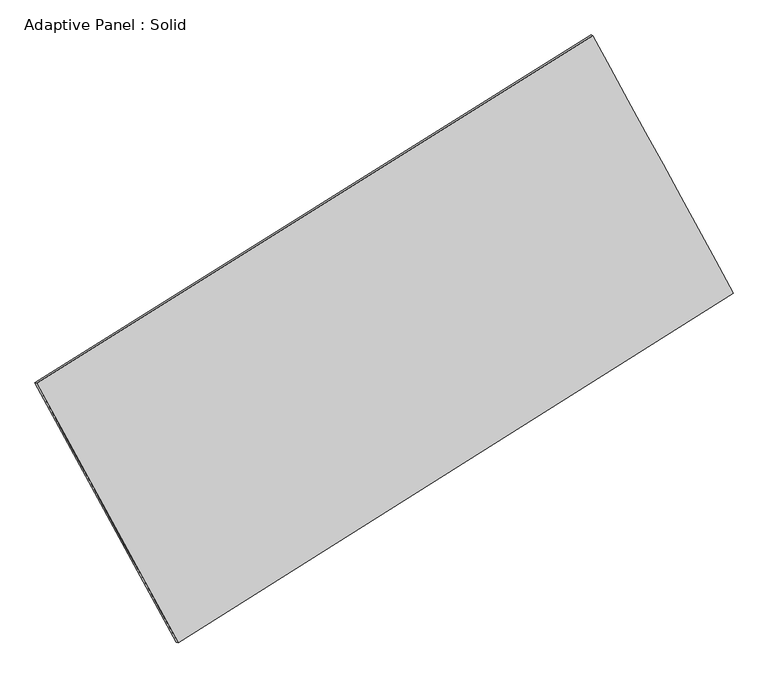
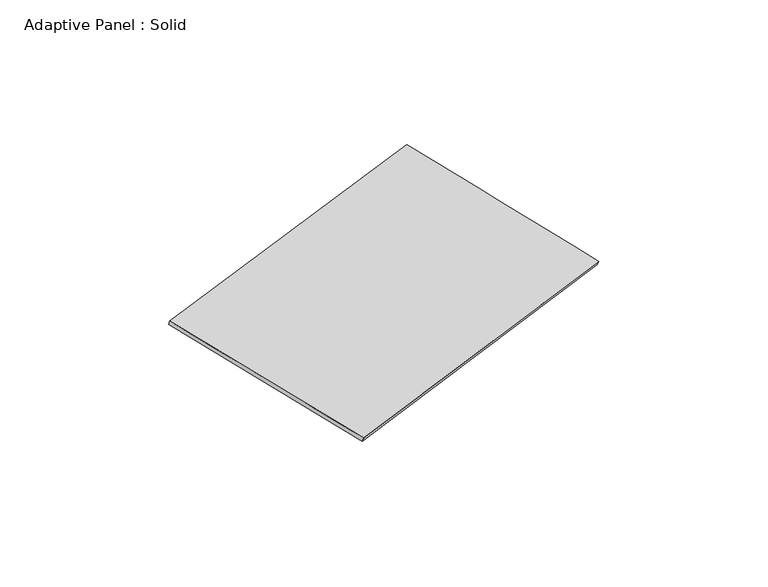
"""IFC4 building model written with IfcOpenShell, lengths in millimetres: plate geometry, Adaptive Panel : Solid."""

import ifcopenshell
import ifcopenshell.guid

model = None  # the IFC model being written
_history = None  # IfcOwnerHistory: only IFC2X3 demands one
_inside = {}  # id of a spatial element -> (the spatial element, [elements in it])
_under = {}  # id of a project, library or spatial element -> (it, [spatial elements below it])
_declared = {}  # id of a project -> (the project, [libraries it declares])
_typed = {}  # id of a type object -> (the type object, [elements of that type])
_made_of = {}  # id of a material, layer set ... -> (it, [elements and type objects made of it])


def new_model(schema):
    """Start an empty IFC model of exactly this schema.

    Asked for "IFC4X3", IfcOpenShell would pick the latest addendum, in which some entities
    have other attributes; the version numbers below select the first issue.
    IFC2X3 requires an IfcOwnerHistory on every rooted entity: one is made here for all.
    """
    global model, _history
    if schema == "IFC4X3":
        model = ifcopenshell.file(schema_version=(4, 3, 0, 0))
    else:
        model = ifcopenshell.file(schema=schema)
    _inside.clear()
    _under.clear()
    _declared.clear()
    _typed.clear()
    _made_of.clear()
    _history = None
    if model.schema == "IFC2X3":
        org = make("IfcOrganization", Name="unknown")
        user = make(
            "IfcPersonAndOrganization",
            ThePerson=make("IfcPerson", FamilyName="unknown"),
            TheOrganization=org,
        )
        app = make(
            "IfcApplication",
            ApplicationDeveloper=org,
            Version="unknown",
            ApplicationFullName="unknown",
            ApplicationIdentifier="unknown",
        )
        _history = make(
            "IfcOwnerHistory",
            OwningUser=user,
            OwningApplication=app,
            ChangeAction="ADDED",
            CreationDate=0,
        )
    return model


def make(cls, **values):
    """One entity of the class cls with the attributes given. An attribute that is None is left unset."""
    return model.create_entity(
        cls, **{name: value for name, value in values.items() if value is not None}
    )


def rooted(cls, **values):
    """An entity with a GlobalId (a new one), such as an element, a storey or a relation."""
    return make(cls, GlobalId=ifcopenshell.guid.new(), OwnerHistory=_history, **values)


def si_unit(unit_type, name, prefix=None):
    """IfcSIUnit, for example si_unit("LENGTHUNIT", "METRE", prefix="MILLI")."""
    return make("IfcSIUnit", UnitType=unit_type, Prefix=prefix, Name=name)


def assignment(units):
    """IfcUnitAssignment: the units of a project."""
    return None if units is None else make("IfcUnitAssignment", Units=units)


def point(xyz):
    """IfcCartesianPoint."""
    return None if xyz is None else make("IfcCartesianPoint", Coordinates=xyz)


def direction(xyz):
    """IfcDirection."""
    return None if xyz is None else make("IfcDirection", DirectionRatios=xyz)


def frame(location, z_axis=None, x_axis=None):
    """IfcAxis2Placement3D, a coordinate frame: its origin and axes. An axis left out is left unset."""
    return make(
        "IfcAxis2Placement3D",
        Location=point(location),
        Axis=direction(z_axis),
        RefDirection=direction(x_axis),
    )


def origin():
    """The frame at (0, 0, 0) with its axes left unset."""
    return frame((0.0, 0.0, 0.0))


def place(relative_to, where):
    """IfcLocalPlacement: puts the frame where relative to a parent placement (None: the world)."""
    return make(
        "IfcLocalPlacement", PlacementRelTo=relative_to, RelativePlacement=where
    )


def context(
    kind, dimensions, precision=None, world=None, true_north=None, identifier=None
):
    """IfcGeometricRepresentationContext, for example the 3D "Model" context."""
    return make(
        "IfcGeometricRepresentationContext",
        ContextIdentifier=identifier,
        ContextType=kind,
        CoordinateSpaceDimension=dimensions,
        Precision=precision,
        WorldCoordinateSystem=world,
        TrueNorth=true_north,
    )


def project(units=None, contexts=None):
    """IfcProject with its units and contexts."""
    return rooted(
        "IfcProject",
        Name="project",
        RepresentationContexts=contexts,
        UnitsInContext=assignment(units),
    )


def spatial(cls, under=None, at=None, **own):
    """A site, building, storey or space (cls), placed at a placement, below another one or the project."""
    s = rooted(cls, ObjectPlacement=at, **own)
    if under is not None:
        _under.setdefault(under.id(), (under, []))[1].append(s)
    return s


def shape(context_of_items, identifier, shape_type, items):
    """IfcShapeRepresentation: the items that make up one representation, for example the "Body"."""
    return make(
        "IfcShapeRepresentation",
        ContextOfItems=context_of_items,
        RepresentationIdentifier=identifier,
        RepresentationType=shape_type,
        Items=items,
    )


def source(mapping_origin, context_of_items, identifier, shape_type, items):
    """IfcRepresentationMap: a shape defined once, which mapped items show again and again."""
    return make(
        "IfcRepresentationMap",
        MappingOrigin=mapping_origin,
        MappedRepresentation=shape(context_of_items, identifier, shape_type, items),
    )


def transform(
    local_origin,
    x_axis=None,
    y_axis=None,
    z_axis=None,
    scale=None,
    scale2=None,
    scale3=None,
    uniform=True,
):
    """IfcCartesianTransformationOperator3D, or its non-uniform kind. x_axis, y_axis, z_axis: its Axis1, 2, 3."""
    if uniform:
        return make(
            "IfcCartesianTransformationOperator3D",
            Axis1=direction(x_axis),
            Axis2=direction(y_axis),
            LocalOrigin=point(local_origin),
            Scale=scale,
            Axis3=direction(z_axis),
        )
    return make(
        "IfcCartesianTransformationOperator3DnonUniform",
        Axis1=direction(x_axis),
        Axis2=direction(y_axis),
        LocalOrigin=point(local_origin),
        Scale=scale,
        Axis3=direction(z_axis),
        Scale2=scale2,
        Scale3=scale3,
    )


def mapped(mapping_source, mapping_target):
    """IfcMappedItem: shows the shape of a source again, moved by a transform."""
    return make(
        "IfcMappedItem", MappingSource=mapping_source, MappingTarget=mapping_target
    )


def made_of(thing, what):
    """Note that an element or type object is made of a material, layer set ...; save() writes the relation."""
    if what is not None:
        _made_of.setdefault(what.id(), (what, []))[1].append(thing)
    return thing


def element(
    cls,
    number,
    at=None,
    inside=None,
    cuts=None,
    type_object=None,
    material=None,
    context=None,
    identifier="Body",
    shape_type=None,
    held_by="IfcProductDefinitionShape",
    body=None,
    shapes=None,
    **own,
):
    """One element of the class cls, such as IfcWall. Its Tag is "e" and its number.

    at: its placement. inside: the storey or other place that contains it. cuts: it is an
    opening in that element (IfcRelVoidsElement). A single representation is given by context,
    identifier, shape_type and body (its items); several are given by shapes. held_by: the class
    of the entity that holds the representations. save() writes the other relations.
    """
    e = rooted(cls, Tag="e%d" % number, ObjectPlacement=at, **own)
    if body is not None:
        shapes = [shape(context, identifier, shape_type, body)]
    if shapes is not None:
        e.Representation = make(held_by, Representations=shapes)
    if inside is not None:
        _inside.setdefault(inside.id(), (inside, []))[1].append(e)
    if cuts is not None:
        rooted(
            "IfcRelVoidsElement", RelatingBuildingElement=cuts, RelatedOpeningElement=e
        )
    if type_object is not None:
        _typed.setdefault(type_object.id(), (type_object, []))[1].append(e)
    return made_of(e, material)


def aggregate(whole, parts):
    """IfcRelAggregates: a whole, such as a stair, and the parts it consists of."""
    return rooted("IfcRelAggregates", RelatingObject=whole, RelatedObjects=parts)


def save(model, path):
    """Write the relations noted so far, then the file.

    IfcRelAggregates (storeys below a building ...), IfcRelContainedInSpatialStructure (elements
    in a storey), IfcRelDefinesByType, IfcRelAssociatesMaterial and IfcRelDeclares: one each for
    every whole, place, type object, material and project.
    """
    for whole, parts in _under.values():
        aggregate(whole, parts)
    for where, things in _inside.values():
        rooted(
            "IfcRelContainedInSpatialStructure",
            RelatedElements=things,
            RelatingStructure=where,
        )
    for kind, things in _typed.values():
        rooted("IfcRelDefinesByType", RelatedObjects=things, RelatingType=kind)
    for what, things in _made_of.values():
        rooted("IfcRelAssociatesMaterial", RelatedObjects=things, RelatingMaterial=what)
    for by, libraries in _declared.values():
        rooted("IfcRelDeclares", RelatingContext=by, RelatedDefinitions=libraries)
    model.write(path)


def plane_surface(at):
    """IfcPlane: the flat surface through the origin of the frame at, square to its z axis."""
    return make("IfcPlane", Position=at)


def spline_surface(u_degree, v_degree, points, u_multiplicities, v_multiplicities, u_knots, v_knots, weights=None):
    """IfcBSplineSurfaceWithKnots; with weights, IfcRationalBSplineSurfaceWithKnots. points: one row for each step in u."""
    own = dict(
        UDegree=u_degree,
        VDegree=v_degree,
        ControlPointsList=[[point(p) for p in row] for row in points],
        SurfaceForm="UNSPECIFIED",
        UClosed=False,
        VClosed=False,
        SelfIntersect=False,
        UMultiplicities=u_multiplicities,
        VMultiplicities=v_multiplicities,
        UKnots=u_knots,
        VKnots=v_knots,
        KnotSpec="UNSPECIFIED",
    )
    if weights is None:
        return make("IfcBSplineSurfaceWithKnots", **own)
    return make("IfcRationalBSplineSurfaceWithKnots", WeightsData=weights, **own)


def advanced_brep(points, edges, surfaces, faces):
    """IfcAdvancedBrep: a solid bounded by faces that lie on surfaces and meet in shared edges.

    An edge is (start, end): straight between two places in points (the first is 0);
    or (start, end, curve); or (start, end, curve, False) where it runs against its curve.
    A face is (place in surfaces, loops), or (place, loops, False) where it looks against
    its surface's normal. A loop lists edges by number (the first is 1), with a minus sign
    where the edge is run from its end to its start. The first loop is the outer one.
    """
    corners = [point(p) for p in points]
    vertices = [make("IfcVertexPoint", VertexGeometry=c) for c in corners]
    made = []
    for start, end, *more in edges:
        made.append(
            make(
                "IfcEdgeCurve",
                EdgeStart=vertices[start],
                EdgeEnd=vertices[end],
                EdgeGeometry=more[0] if more else make("IfcPolyline", Points=[corners[start], corners[end]]),
                SameSense=more[1] if len(more) > 1 else True,
            )
        )
    hull = []
    for where, loops, *sense in faces:
        bounds = []
        for j, loop in enumerate(loops):
            ring = [make("IfcOrientedEdge", EdgeElement=made[abs(k) - 1], Orientation=k > 0) for k in loop]
            bounds.append(
                make(
                    "IfcFaceOuterBound" if j == 0 else "IfcFaceBound",
                    Bound=make("IfcEdgeLoop", EdgeList=ring),
                    Orientation=True,
                )
            )
        hull.append(make("IfcAdvancedFace", Bounds=bounds, FaceSurface=surfaces[where], SameSense=sense[0] if sense else True))
    return make("IfcAdvancedBrep", Outer=make("IfcClosedShell", CfsFaces=hull))


def adaptive_panel_solid_44c6b4b8(model_context):
    return source(origin(), model_context, "Body", "AdvancedBrep", [
        advanced_brep(
        [(1179.6579435, 2569.9157757, 667.5185422), (-3721.7379756, -493.8707176, 1765.6463585), (-3707.0716198, -500.2508111, 1813.0192666), (1194.3242994, 2563.5356822, 714.8914502), (-2475.5151521, -2778.7201285, 1078.7701086), (-2460.8487962, -2785.100222, 1126.1430166), (2414.304606, 302.4264975, -26.8124891), (2428.9709619, 296.0464041, 20.5604189)],
        [
            (0, 1),
            (1, 2),
            (2, 3),
            (3, 0),
            (1, 4),
            (4, 5),
            (5, 2),
            (4, 6),
            (6, 7),
            (7, 5),
            (6, 0),
            (3, 7),
        ],
        [
            plane_surface(frame((-1271.040016, 1038.022529, 1216.5824504), z_axis=(-0.46956008267521177, 0.8440426632448799, 0.259046928915474), x_axis=(-0.8330654458178879, -0.5207362765667582, 0.18664322449966447))),
            plane_surface(frame((-3098.6265638, -1636.295423, 1422.2082336), z_axis=(-0.8368048127280678, -0.5135089806719586, 0.18991111648450054), x_axis=(0.46298220971597526, -0.8488406801345443, -0.2551802759525845))),
            plane_surface(frame((-30.605273, -1238.1468155, 525.9788098), z_axis=(0.4721274338464296, -0.8424314028481851, -0.2596247632735075), x_axis=(0.8309807619247501, 0.5236130772857472, -0.18788379016379303))),
            plane_surface(frame((1796.9812748, 1436.1711366, 320.3530266), z_axis=(0.8366935456556641, 0.5137131522107814, -0.18984917145938812), x_axis=(-0.46179769833972284, 0.8481141702027232, 0.25970221429452794))),
            spline_surface(1, 1, [[(-3707.0716198, -500.2508111, 1813.0192666), (1194.3242994, 2563.5356822, 714.8914502)], [(-2460.8487962, -2785.100222, 1126.1430166), (2428.9709619, 296.0464041, 20.5604189)]], [2, 2], [2, 2], [0.0, 1.0], [0.0, 1.0]),
            spline_surface(1, 1, [[(2414.304606, 302.4264975, -26.8124891), (1179.6579435, 2569.9157757, 667.5185422)], [(-2475.5151521, -2778.7201285, 1078.7701086), (-3721.7379756, -493.8707176, 1765.6463585)]], [2, 2], [2, 2], [0.0, 1.0], [0.0, 1.0]),
        ],
        [
            (0, [[1, 2, 3, 4]]),
            (1, [[5, 6, 7, -2]]),
            (2, [[8, 9, 10, -6]]),
            (3, [[11, -4, 12, -9]]),
            (4, [[-3, -7, -10, -12]]),
            (5, [[-11, -8, -5, -1]]),
        ],
    ),
    ])


if __name__ == "__main__":
    model = new_model("IFC4")
    model_context = context("Model", 3, world=origin())
    ifc_project = project(units=[si_unit("LENGTHUNIT", "METRE", prefix="MILLI")], contexts=[model_context])
    site = spatial("IfcSite", under=ifc_project)
    building = spatial("IfcBuilding", under=site)
    placement = place(None, origin())
    adaptive_panel_solid_shape = adaptive_panel_solid_44c6b4b8(model_context)
    element("IfcPlate", 1, ObjectType="Adaptive Panel : Solid", at=placement, inside=building, context=model_context, shape_type="MappedRepresentation", body=[
        mapped(adaptive_panel_solid_shape, transform((0.0, 0.0, 0.0), x_axis=(1.0, 0.0, 0.0), y_axis=(0.0, 1.0, 0.0), z_axis=(0.0, 0.0, 1.0))),
    ])
    save(model, "model.ifc")
